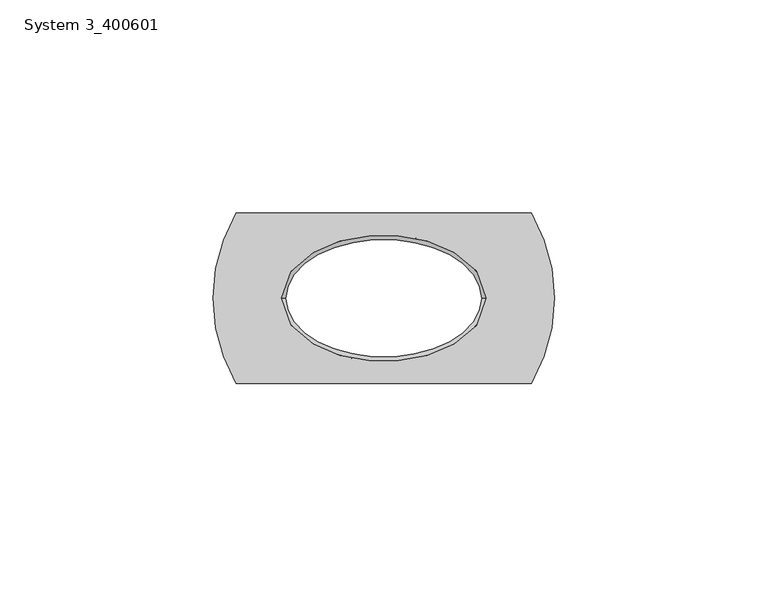
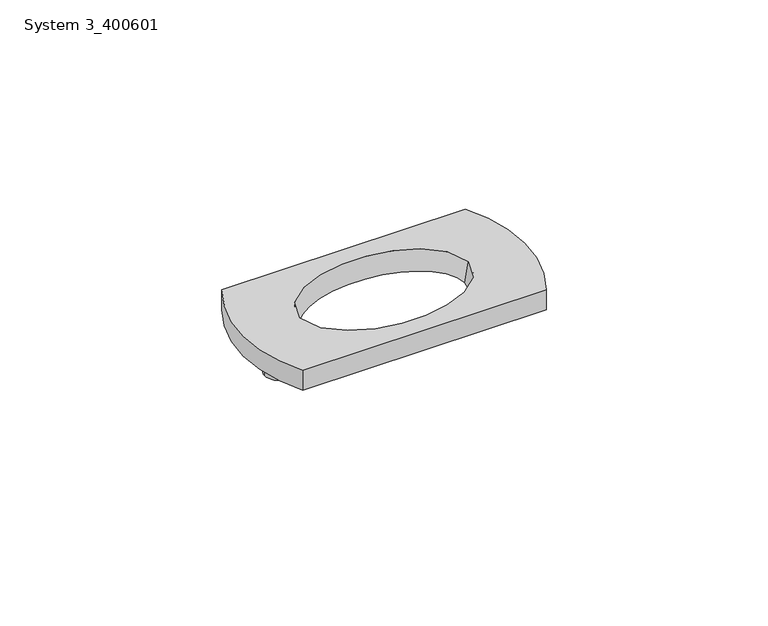
"""IFC4 building model written with IfcOpenShell, lengths in millimetres: proxy geometry, System 3_400601."""

from ifc_helpers import new_model, si_unit, point, frame, frame_2d, origin, origin_with_axes, place, context, project, spatial, circle_curve, ellipse_curve, trimmed, segment, composite_curve, outline, extrude, source, transform, mapped, element, save
from ifc_brep_helpers import plane_surface, cylinder_surface, spline_surface, advanced_brep


def system_3_400601_86b50819(model_context):
    return source(origin(), model_context, "Body", "SolidModel", [
        advanced_brep(
        [(34.6410162, -20.0, 6.0), (34.6410162, 20.0, 6.0), (-34.6410162, 20.0, 6.0), (-34.6410162, -20.0, 6.0), (24.0, 0.0, 6.0), (-24.0, 0.0, 6.0), (34.6410162, -20.0, 0.0), (-34.6410162, -20.0, 0.0), (-34.6410162, 20.0, 0.0), (34.6410162, 20.0, 0.0), (-23.0, 0.0, 0.0), (23.0, 0.0, 0.0)],
        [
            (0, 1, circle_curve(frame((0.3744648, 0.0, 6.0), z_axis=(0.0, 0.0, 1.0), x_axis=(1.0, 0.0, 0.0)), 39.6761458)),
            (1, 2),
            (2, 3, circle_curve(frame((-0.3744648, 0.0, 6.0), z_axis=(0.0, 0.0, 1.0), x_axis=(1.0, 0.0, 0.0)), 39.6761458)),
            (3, 0),
            (4, 5, ellipse_curve(frame((0.0, 0.0, 6.0), z_axis=(0.0, 0.0, -1.0), x_axis=(1.0, 0.0, 0.0)), 24.0, 14.8)),
            (5, 4, ellipse_curve(frame((0.0, 0.0, 6.0), z_axis=(0.0, 0.0, -1.0), x_axis=(1.0, 0.0, 0.0)), 24.0, 14.8)),
            (6, 7),
            (7, 8, circle_curve(frame((-0.3744648, 0.0, 0.0), z_axis=(0.0, 0.0, -1.0), x_axis=(1.0, 0.0, 0.0)), 39.6761458)),
            (8, 9),
            (9, 6, circle_curve(frame((0.3744648, 0.0, 0.0), z_axis=(0.0, 0.0, -1.0), x_axis=(1.0, 0.0, 0.0)), 39.6761458)),
            (10, 11, ellipse_curve(origin_with_axes(), 23.0, 13.8)),
            (11, 10, ellipse_curve(origin_with_axes(), 23.0, 13.8)),
            (0, 6),
            (9, 1),
            (8, 2),
            (7, 3),
            (10, 5),
            (4, 11),
        ],
        [
            plane_surface(frame((40.0506105, 0.0, 6.0), z_axis=(0.0, 0.0, 1.0), x_axis=(0.0, 1.0, 0.0))),
            plane_surface(frame((40.0506105, 0.0, 0.0), z_axis=(0.0, 0.0, -1.0), x_axis=(0.0, -1.0, 0.0))),
            cylinder_surface(frame((0.3744648, 0.0, 0.0), z_axis=(0.0, 0.0, 1.0), x_axis=(1.0, 0.0, 0.0)), 39.6761458),
            plane_surface(frame((34.6410162, 20.0, 6.0), z_axis=(0.0, 1.0, 0.0), x_axis=(0.0, 0.0, -1.0))),
            cylinder_surface(frame((-0.3744648, 0.0, 0.0), z_axis=(0.0, 0.0, 1.0), x_axis=(1.0, 0.0, 0.0)), 39.6761458),
            plane_surface(frame((-34.6410162, -20.0, 6.0), z_axis=(0.0, -1.0, 0.0), x_axis=(0.0, 0.0, -1.0))),
            spline_surface(1, 2, [[(-23.0, 0.0, 0.0), (-23.0, -13.8, 0.0), (0.0, -13.8, 0.0), (23.0, -13.8, 0.0), (23.0, 0.0, 0.0)], [(-24.0, 0.0, 6.0), (-24.0, -14.8, 6.0), (0.0, -14.8, 6.0), (24.0, -14.8, 6.0), (24.0, 0.0, 6.0)]], [2, 2], [3, 2, 3], [0.0, 1.0], [0.0, 1.0, 2.0], weights=[[1.0, 0.7071067811865476, 1.0, 0.7071067811865476, 1.0], [1.0, 0.7071067811865476, 1.0, 0.7071067811865476, 1.0]]),
            spline_surface(1, 2, [[(23.0, 0.0, 0.0), (23.0, 13.8, 0.0), (0.0, 13.8, 0.0), (-23.0, 13.8, 0.0), (-23.0, 0.0, 0.0)], [(24.0, 0.0, 6.0), (24.0, 14.8, 6.0), (0.0, 14.8, 6.0), (-24.0, 14.8, 6.0), (-24.0, 0.0, 6.0)]], [2, 2], [3, 2, 3], [0.0, 1.0], [0.0, 1.0, 2.0], weights=[[1.0, 0.7071067811865476, 1.0, 0.7071067811865476, 1.0], [1.0, 0.7071067811865476, 1.0, 0.7071067811865476, 1.0]]),
        ],
        [
            (0, [[1, 2, 3, 4], [5, 6]]),
            (1, [[7, 8, 9, 10], [11, 12]]),
            (2, [[-1, 13, -10, 14]]),
            (3, [[-2, -14, -9, 15]]),
            (4, [[-3, -15, -8, 16]]),
            (5, [[-4, -16, -7, -13]]),
            (6, [[17, -5, 18, -11]]),
            (7, [[-17, -12, -18, -6]]),
        ],
    ),
        extrude(outline(composite_curve([segment(trimmed(circle_curve(frame_2d((-30.0, 0.0)), 4.0), [point((-34.0, 0.0))], [point((-26.0, 0.0))], False, "CARTESIAN"), True, "CONTINUOUS"), segment(trimmed(circle_curve(frame_2d((-30.0, 0.0)), 4.0), [point((-26.0, 0.0))], [point((-34.0, 0.0))], False, "CARTESIAN"), True, "CONTINUOUS")], self_intersect=False)), frame((0.0, 0.0, -8.0), z_axis=(0.0, 0.0, 1.0), x_axis=(1.0, 0.0, 0.0)), (0.0, 0.0, 1.0), 8.0),
        extrude(outline(composite_curve([segment(trimmed(circle_curve(frame_2d((30.0, 0.0)), 4.0), [point((26.0, 0.0))], [point((34.0, 0.0))], False, "CARTESIAN"), True, "CONTINUOUS"), segment(trimmed(circle_curve(frame_2d((30.0, 0.0)), 4.0), [point((34.0, 0.0))], [point((26.0, 0.0))], False, "CARTESIAN"), True, "CONTINUOUS")], self_intersect=False)), frame((0.0, 0.0, -8.0), z_axis=(0.0, 0.0, 1.0), x_axis=(1.0, 0.0, 0.0)), (0.0, 0.0, 1.0), 8.0),
    ])


if __name__ == "__main__":
    model = new_model("IFC4")
    model_context = context("Model", 3, world=origin())
    ifc_project = project(units=[si_unit("LENGTHUNIT", "METRE", prefix="MILLI")], contexts=[model_context])
    site = spatial("IfcSite", under=ifc_project)
    building = spatial("IfcBuilding", under=site)
    placement = place(None, origin())
    system_3_400601_shape = system_3_400601_86b50819(model_context)
    element("IfcBuildingElementProxy", 1, Name="System 3_400601", ObjectType="System 3_400601", at=placement, inside=building, context=model_context, shape_type="MappedRepresentation", body=[
        mapped(system_3_400601_shape, transform((0.0, 0.0, 0.0), x_axis=(1.0, 0.0, 0.0), y_axis=(0.0, 1.0, 0.0), z_axis=(0.0, 0.0, 1.0))),
    ])
    save(model, "model.ifc")
